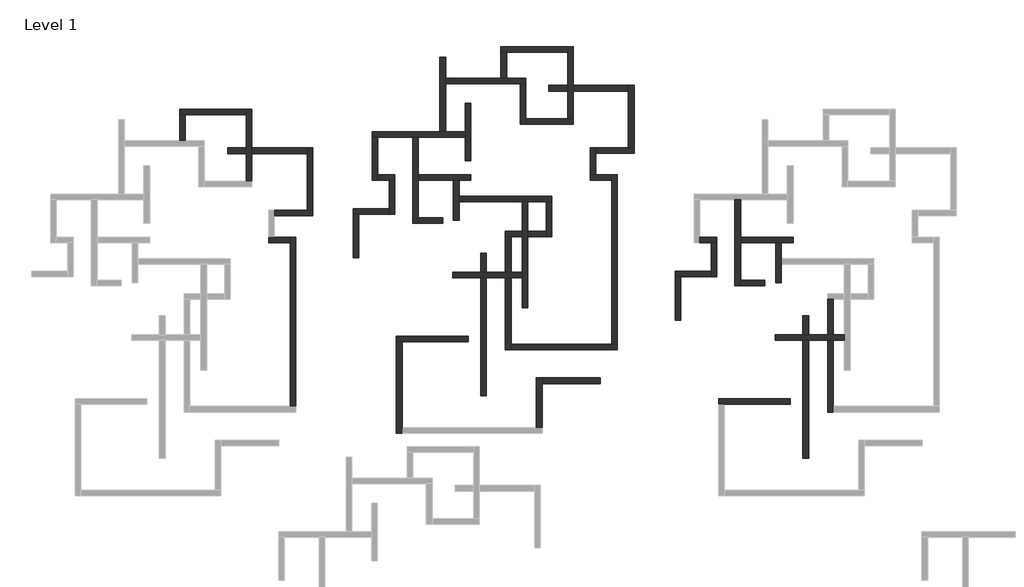
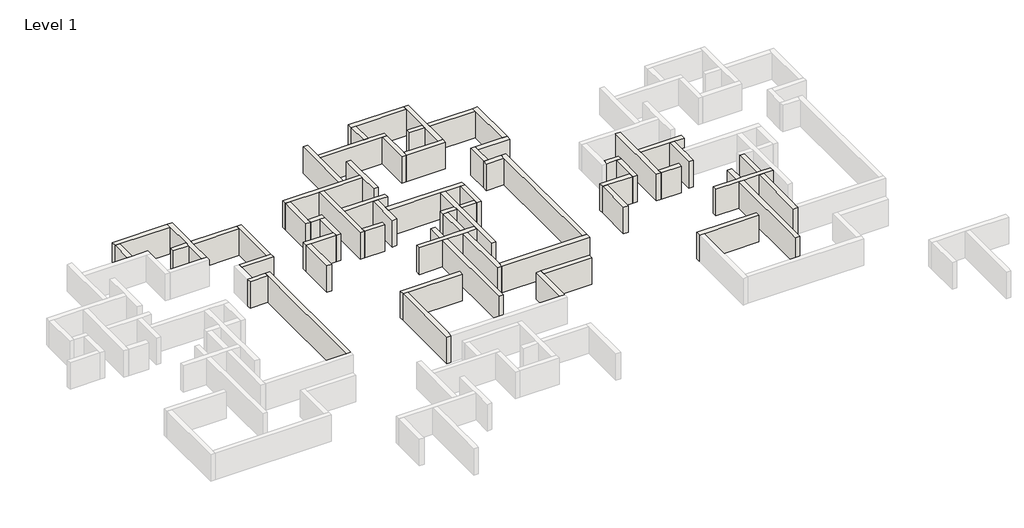
# One storey, part 6 of 7: 56 walls.
"""IFC4 building model written with IfcOpenShell, lengths in millimetres."""

from ifc_helpers import new_model, si_unit, origin, origin_with_axes, place, context, project, spatial, polyline, outline, extrude, faceted_brep, element, save

model = new_model("IFC4")

# Units and contexts
model_context = context("Model", 3, world=origin())
ifc_project = project(units=[si_unit("LENGTHUNIT", "METRE", prefix="MILLI")], contexts=[model_context])

# Site, building, storey
site = spatial("IfcSite", under=ifc_project)
building = spatial("IfcBuilding", under=site)
storey = spatial("IfcBuildingStorey", under=building, Name="Level 1", Elevation=0.0)

# Walls
placement = place(None, origin())
element("IfcWall", 1, ObjectType="Generic - 200mm", at=placement, inside=storey, context=model_context, shape_type="Brep", body=[
    faceted_brep([(-1834.8033404, 19787.4534844, 0.0), (-1834.8033404, 22237.4534844, 0.0), (-1834.8033404, 22737.4534844, 0.0), (-1834.8033404, 26187.4534844, 0.0), (-1834.8033404, 26187.4534844, 3000.0), (-1834.8033404, 22737.4534844, 3000.0), (-1834.8033404, 22237.4534844, 3000.0), (-1834.8033404, 19787.4534844, 3000.0), (-2334.8033404, 19787.4534844, 0.0), (-2334.8033404, 19787.4534844, 3000.0), (-2334.8033404, 22237.4534844, 3000.0), (-2334.8033404, 22737.4534844, 3000.0), (-2334.8033404, 25687.4534844, 3000.0), (-2334.8033404, 26187.4534844, 3000.0), (-2334.8033404, 26187.4534844, 0.0), (-2334.8033404, 25687.4534844, 0.0), (-2334.8033404, 22737.4534844, 0.0), (-2334.8033404, 22237.4534844, 0.0)], [[[0, 1, 2, 3, 4, 5, 6, 7]], [[8, 9, 10, 11, 12, 13, 14, 15, 16, 17]], [[3, 2, 1, 0, 8, 17, 16, 15, 14]], [[7, 6, 5, 4, 13, 12, 11, 10, 9]], [[0, 7, 9, 8]], [[4, 3, 14, 13]]]),
])
element("IfcWall", 2, ObjectType="Generic - 200mm", at=placement, inside=storey, context=model_context, shape_type="Brep", body=[
    faceted_brep([(-2334.8033404, 26187.4534844, 0.0), (-8234.8033404, 26187.4534844, 0.0), (-8234.8033404, 26187.4534844, 3000.0), (-2334.8033404, 26187.4534844, 3000.0), (-2334.8033404, 25687.4534844, 0.0), (-2334.8033404, 25687.4534844, 3000.0), (-7734.8033404, 25687.4534844, 3000.0), (-8234.8033404, 25687.4534844, 3000.0), (-8234.8033404, 25687.4534844, 0.0), (-7734.8033404, 25687.4534844, 0.0)], [[[0, 1, 2, 3]], [[4, 5, 6, 7, 8, 9]], [[1, 0, 4, 9, 8]], [[3, 2, 7, 6, 5]], [[0, 3, 5, 4]], [[2, 1, 8, 7]]]),
])
element("IfcWall", 3, ObjectType="Generic - 200mm", at=placement, inside=storey, context=model_context, shape_type="SweptSolid", body=[
    extrude(outline(polyline([(-8234.8033404, 23387.4534844), (-8234.8033404, 25687.4534844), (-7734.8033404, 25687.4534844), (-7734.8033404, 23387.4534844), (-8234.8033404, 23387.4534844)])), origin_with_axes(), (0.0, 0.0, 1.0), 3000.0),
])
element("IfcWall", 4, ObjectType="Generic - 200mm", at=placement, inside=storey, context=model_context, shape_type="Brep", body=[
    faceted_brep([(2065.1966596, -162.5465156, 0.0), (2065.1966596, 14837.4534844, 0.0), (2065.1966596, 14837.4534844, 3000.0), (2065.1966596, -162.5465156, 3000.0), (1565.1966596, -162.5465156, 0.0), (1565.1966596, -162.5465156, 3000.0), (1565.1966596, 14337.4534844, 3000.0), (1565.1966596, 14837.4534844, 3000.0), (1565.1966596, 14837.4534844, 0.0), (1565.1966596, 14337.4534844, 0.0)], [[[0, 1, 2, 3]], [[4, 5, 6, 7, 8, 9]], [[1, 0, 4, 9, 8]], [[3, 2, 7, 6, 5]], [[0, 3, 5, 4]], [[2, 1, 8, 7]]]),
])
element("IfcWall", 5, ObjectType="Generic - 200mm", at=placement, inside=storey, context=model_context, shape_type="Brep", body=[
    faceted_brep([(1565.1966596, 14837.4534844, 0.0), (165.1966596, 14837.4534844, 0.0), (-334.8033404, 14837.4534844, 0.0), (-334.8033404, 14837.4534844, 3000.0), (165.1966596, 14837.4534844, 3000.0), (1565.1966596, 14837.4534844, 3000.0), (1565.1966596, 14337.4534844, 0.0), (1565.1966596, 14337.4534844, 3000.0), (-334.8033404, 14337.4534844, 3000.0), (-334.8033404, 14337.4534844, 0.0)], [[[0, 1, 2, 3, 4, 5]], [[6, 7, 8, 9]], [[2, 1, 0, 6, 9]], [[5, 4, 3, 8, 7]], [[0, 5, 7, 6]], [[3, 2, 9, 8]]]),
])
element("IfcWall", 6, ObjectType="Generic - 200mm", at=placement, inside=storey, context=model_context, shape_type="Brep", body=[
    faceted_brep([(165.1966596, 16737.4534844, 0.0), (3565.1966596, 16737.4534844, 0.0), (3565.1966596, 16737.4534844, 3000.0), (165.1966596, 16737.4534844, 3000.0), (165.1966596, 17237.4534844, 0.0), (165.1966596, 17237.4534844, 3000.0), (3065.1966596, 17237.4534844, 3000.0), (3565.1966596, 17237.4534844, 3000.0), (3565.1966596, 17237.4534844, 0.0), (3065.1966596, 17237.4534844, 0.0)], [[[0, 1, 2, 3]], [[4, 5, 6, 7, 8, 9]], [[1, 0, 4, 9, 8]], [[3, 2, 7, 6, 5]], [[0, 3, 5, 4]], [[2, 1, 8, 7]]]),
])
element("IfcWall", 7, ObjectType="Generic - 200mm", at=placement, inside=storey, context=model_context, shape_type="Brep", body=[
    faceted_brep([(3565.1966596, 17237.4534844, 0.0), (3565.1966596, 22737.4534844, 0.0), (3565.1966596, 22737.4534844, 3000.0), (3565.1966596, 17237.4534844, 3000.0), (3065.1966596, 17237.4534844, 0.0), (3065.1966596, 17237.4534844, 3000.0), (3065.1966596, 22237.4534844, 3000.0), (3065.1966596, 22737.4534844, 3000.0), (3065.1966596, 22737.4534844, 0.0), (3065.1966596, 22237.4534844, 0.0)], [[[0, 1, 2, 3]], [[4, 5, 6, 7, 8, 9]], [[1, 0, 4, 9, 8]], [[3, 2, 7, 6, 5]], [[0, 3, 5, 4]], [[2, 1, 8, 7]]]),
])
element("IfcWall", 8, ObjectType="Generic - 200mm", at=placement, inside=storey, context=model_context, shape_type="SweptSolid", body=[
    extrude(outline(polyline([(-3984.8033404, 22237.4534844), (-3984.8033404, 22737.4534844), (-2334.8033404, 22737.4534844), (-2334.8033404, 22237.4534844), (-3984.8033404, 22237.4534844)])), origin_with_axes(), (0.0, 0.0, 1.0), 3000.0),
    extrude(outline(polyline([(3065.1966596, 22737.4534844), (3065.1966596, 22237.4534844), (-1834.8033404, 22237.4534844), (-1834.8033404, 22737.4534844), (3065.1966596, 22737.4534844)])), origin_with_axes(), (0.0, 0.0, 1.0), 3000.0),
])
element("IfcWall", 9, ObjectType="Generic - 200mm", at=placement, inside=storey, context=model_context, shape_type="Brep", body=[
    faceted_brep([(8832.3849796, 23670.9143503, 0.0), (9332.3849796, 23670.9143503, 0.0), (12432.3849796, 23670.9143503, 0.0), (12932.3849796, 23670.9143503, 0.0), (17082.3849796, 23670.9143503, 0.0), (17082.3849796, 23670.9143503, 3000.0), (12932.3849796, 23670.9143503, 3000.0), (12432.3849796, 23670.9143503, 3000.0), (9332.3849796, 23670.9143503, 3000.0), (8832.3849796, 23670.9143503, 3000.0), (8832.3849796, 24170.9143503, 0.0), (8832.3849796, 24170.9143503, 3000.0), (14832.3849796, 24170.9143503, 3000.0), (15332.3849796, 24170.9143503, 3000.0), (17082.3849796, 24170.9143503, 3000.0), (17082.3849796, 24170.9143503, 0.0), (15332.3849796, 24170.9143503, 0.0), (14832.3849796, 24170.9143503, 0.0)], [[[0, 1, 2, 3, 4, 5, 6, 7, 8, 9]], [[10, 11, 12, 13, 14, 15, 16, 17]], [[4, 3, 2, 1, 0, 10, 17, 16, 15]], [[9, 8, 7, 6, 5, 14, 13, 12, 11]], [[0, 9, 11, 10]], [[5, 4, 15, 14]]]),
])
element("IfcWall", 10, ObjectType="Generic - 200mm", at=placement, inside=storey, context=model_context, shape_type="Brep", body=[
    faceted_brep([(12432.3849796, 23670.9143503, 0.0), (12432.3849796, 16070.9143503, 0.0), (12432.3849796, 16070.9143503, 3000.0), (12432.3849796, 23670.9143503, 3000.0), (12932.3849796, 23670.9143503, 0.0), (12932.3849796, 23670.9143503, 3000.0), (12932.3849796, 20370.9143503, 3000.0), (12932.3849796, 19870.9143503, 3000.0), (12932.3849796, 16570.9143503, 3000.0), (12932.3849796, 16070.9143503, 3000.0), (12932.3849796, 16070.9143503, 0.0), (12932.3849796, 16570.9143503, 0.0), (12932.3849796, 19870.9143503, 0.0), (12932.3849796, 20370.9143503, 0.0)], [[[0, 1, 2, 3]], [[4, 5, 6, 7, 8, 9, 10, 11, 12, 13]], [[1, 0, 4, 13, 12, 11, 10]], [[3, 2, 9, 8, 7, 6, 5]], [[0, 3, 5, 4]], [[2, 1, 10, 9]]]),
])
element("IfcWall", 11, ObjectType="Generic - 200mm", at=placement, inside=storey, context=model_context, shape_type="Brep", body=[
    faceted_brep([(12932.3849796, 19870.9143503, 0.0), (16032.3849796, 19870.9143503, 0.0), (16532.3849796, 19870.9143503, 0.0), (17582.3849796, 19870.9143503, 0.0), (17582.3849796, 19870.9143503, 3000.0), (16532.3849796, 19870.9143503, 3000.0), (16032.3849796, 19870.9143503, 3000.0), (12932.3849796, 19870.9143503, 3000.0), (12932.3849796, 20370.9143503, 0.0), (12932.3849796, 20370.9143503, 3000.0), (17582.3849796, 20370.9143503, 3000.0), (17582.3849796, 20370.9143503, 0.0)], [[[0, 1, 2, 3, 4, 5, 6, 7]], [[8, 9, 10, 11]], [[3, 2, 1, 0, 8, 11]], [[4, 3, 11, 10]], [[7, 6, 5, 4, 10, 9]], [[0, 7, 9, 8]]]),
])
element("IfcWall", 12, ObjectType="Generic - 200mm", at=placement, inside=storey, context=model_context, shape_type="Brep", body=[
    faceted_brep([(16032.3849796, 19870.9143503, 0.0), (16032.3849796, 16320.9143503, 0.0), (16032.3849796, 16320.9143503, 3000.0), (16032.3849796, 19870.9143503, 3000.0), (16532.3849796, 19870.9143503, 0.0), (16532.3849796, 19870.9143503, 3000.0), (16532.3849796, 18470.9143503, 3000.0), (16532.3849796, 17970.9143503, 3000.0), (16532.3849796, 16320.9143503, 3000.0), (16532.3849796, 16320.9143503, 0.0), (16532.3849796, 17970.9143503, 0.0), (16532.3849796, 18470.9143503, 0.0)], [[[0, 1, 2, 3]], [[4, 5, 6, 7, 8, 9, 10, 11]], [[1, 0, 4, 11, 10, 9]], [[2, 1, 9, 8]], [[3, 2, 8, 7, 6, 5]], [[0, 3, 5, 4]]]),
])
element("IfcWall", 13, ObjectType="Generic - 200mm", at=placement, inside=storey, context=model_context, shape_type="Brep", body=[
    faceted_brep([(8832.3849796, 23670.9143503, 0.0), (8832.3849796, 19870.9143503, 0.0), (8832.3849796, 19870.9143503, 3000.0), (8832.3849796, 23670.9143503, 3000.0), (9332.3849796, 23670.9143503, 0.0), (9332.3849796, 23670.9143503, 3000.0), (9332.3849796, 20370.9143503, 3000.0), (9332.3849796, 19870.9143503, 3000.0), (9332.3849796, 19870.9143503, 0.0), (9332.3849796, 20370.9143503, 0.0)], [[[0, 1, 2, 3]], [[4, 5, 6, 7, 8, 9]], [[1, 0, 4, 9, 8]], [[3, 2, 7, 6, 5]], [[0, 3, 5, 4]], [[2, 1, 8, 7]]]),
])
element("IfcWall", 14, ObjectType="Generic - 200mm", at=placement, inside=storey, context=model_context, shape_type="Brep", body=[
    faceted_brep([(9332.3849796, 19870.9143503, 0.0), (10332.3849796, 19870.9143503, 0.0), (10832.3849796, 19870.9143503, 0.0), (10832.3849796, 19870.9143503, 3000.0), (10332.3849796, 19870.9143503, 3000.0), (9332.3849796, 19870.9143503, 3000.0), (9332.3849796, 20370.9143503, 0.0), (9332.3849796, 20370.9143503, 3000.0), (10832.3849796, 20370.9143503, 3000.0), (10832.3849796, 20370.9143503, 0.0)], [[[0, 1, 2, 3, 4, 5]], [[6, 7, 8, 9]], [[2, 1, 0, 6, 9]], [[5, 4, 3, 8, 7]], [[0, 5, 7, 6]], [[3, 2, 9, 8]]]),
])
element("IfcWall", 15, ObjectType="Generic - 200mm", at=placement, inside=storey, context=model_context, shape_type="Brep", body=[
    faceted_brep([(10332.3849796, 19870.9143503, 0.0), (10332.3849796, 17370.9143503, 0.0), (10332.3849796, 16870.9143503, 0.0), (10332.3849796, 16870.9143503, 3000.0), (10332.3849796, 17370.9143503, 3000.0), (10332.3849796, 19870.9143503, 3000.0), (10832.3849796, 19870.9143503, 0.0), (10832.3849796, 19870.9143503, 3000.0), (10832.3849796, 16870.9143503, 3000.0), (10832.3849796, 16870.9143503, 0.0)], [[[0, 1, 2, 3, 4, 5]], [[6, 7, 8, 9]], [[2, 1, 0, 6, 9]], [[5, 4, 3, 8, 7]], [[0, 5, 7, 6]], [[3, 2, 9, 8]]]),
])
element("IfcWall", 16, ObjectType="Generic - 200mm", at=placement, inside=storey, context=model_context, shape_type="Brep", body=[
    faceted_brep([(10332.3849796, 17370.9143503, 0.0), (7132.3849796, 17370.9143503, 0.0), (7132.3849796, 17370.9143503, 3000.0), (10332.3849796, 17370.9143503, 3000.0), (10332.3849796, 16870.9143503, 0.0), (10332.3849796, 16870.9143503, 3000.0), (7632.3849796, 16870.9143503, 3000.0), (7132.3849796, 16870.9143503, 3000.0), (7132.3849796, 16870.9143503, 0.0), (7632.3849796, 16870.9143503, 0.0)], [[[0, 1, 2, 3]], [[4, 5, 6, 7, 8, 9]], [[1, 0, 4, 9, 8]], [[3, 2, 7, 6, 5]], [[0, 3, 5, 4]], [[2, 1, 8, 7]]]),
])
element("IfcWall", 17, ObjectType="Generic - 200mm", at=placement, inside=storey, context=model_context, shape_type="SweptSolid", body=[
    extrude(outline(polyline([(7132.3849796, 13020.9143503), (7132.3849796, 16870.9143503), (7632.3849796, 16870.9143503), (7632.3849796, 13020.9143503), (7132.3849796, 13020.9143503)])), origin_with_axes(), (0.0, 0.0, 1.0), 3000.0),
])
element("IfcWall", 18, ObjectType="Generic - 200mm", at=placement, inside=storey, context=model_context, shape_type="SweptSolid", body=[
    extrude(outline(polyline([(15082.3849796, 16070.9143503), (12932.3849796, 16070.9143503), (12932.3849796, 16570.9143503), (15082.3849796, 16570.9143503), (15082.3849796, 16070.9143503)])), origin_with_axes(), (0.0, 0.0, 1.0), 3000.0),
])
element("IfcWall", 19, ObjectType="Generic - 200mm", at=placement, inside=storey, context=model_context, shape_type="Brep", body=[
    faceted_brep([(16532.3849796, 17970.9143503, 0.0), (22132.3849796, 17970.9143503, 0.0), (22632.3849796, 17970.9143503, 0.0), (24232.3849796, 17970.9143503, 0.0), (24732.3849796, 17970.9143503, 0.0), (24732.3849796, 17970.9143503, 3000.0), (24232.3849796, 17970.9143503, 3000.0), (22632.3849796, 17970.9143503, 3000.0), (22132.3849796, 17970.9143503, 3000.0), (16532.3849796, 17970.9143503, 3000.0), (16532.3849796, 18470.9143503, 0.0), (16532.3849796, 18470.9143503, 3000.0), (24732.3849796, 18470.9143503, 3000.0), (24732.3849796, 18470.9143503, 0.0)], [[[0, 1, 2, 3, 4, 5, 6, 7, 8, 9]], [[10, 11, 12, 13]], [[4, 3, 2, 1, 0, 10, 13]], [[9, 8, 7, 6, 5, 12, 11]], [[0, 9, 11, 10]], [[5, 4, 13, 12]]]),
])
element("IfcWall", 20, ObjectType="Generic - 200mm", at=placement, inside=storey, context=model_context, shape_type="Brep", body=[
    faceted_brep([(22132.3849796, 17970.9143503, 0.0), (22132.3849796, 15370.9143503, 0.0), (22132.3849796, 14870.9143503, 0.0), (22132.3849796, 11720.9143503, 0.0), (22132.3849796, 11220.9143503, 0.0), (22132.3849796, 8570.9143503, 0.0), (22132.3849796, 8570.9143503, 3000.0), (22132.3849796, 11220.9143503, 3000.0), (22132.3849796, 11720.9143503, 3000.0), (22132.3849796, 14870.9143503, 3000.0), (22132.3849796, 15370.9143503, 3000.0), (22132.3849796, 17970.9143503, 3000.0), (22632.3849796, 17970.9143503, 0.0), (22632.3849796, 17970.9143503, 3000.0), (22632.3849796, 15370.9143503, 3000.0), (22632.3849796, 14870.9143503, 3000.0), (22632.3849796, 8570.9143503, 3000.0), (22632.3849796, 8570.9143503, 0.0), (22632.3849796, 14870.9143503, 0.0), (22632.3849796, 15370.9143503, 0.0)], [[[0, 1, 2, 3, 4, 5, 6, 7, 8, 9, 10, 11]], [[12, 13, 14, 15, 16, 17, 18, 19]], [[5, 4, 3, 2, 1, 0, 12, 19, 18, 17]], [[6, 5, 17, 16]], [[11, 10, 9, 8, 7, 6, 16, 15, 14, 13]], [[0, 11, 13, 12]]]),
])
element("IfcWall", 21, ObjectType="Generic - 200mm", at=placement, inside=storey, context=model_context, shape_type="Brep", body=[
    faceted_brep([(22132.3849796, 11720.9143503, 0.0), (21132.3849796, 11720.9143503, 0.0), (20632.3849796, 11720.9143503, 0.0), (18951.9708687, 11720.9143503, 0.0), (18451.9708687, 11720.9143503, 0.0), (15982.3849796, 11720.9143503, 0.0), (15982.3849796, 11720.9143503, 3000.0), (18451.9708687, 11720.9143503, 3000.0), (18951.9708687, 11720.9143503, 3000.0), (20632.3849796, 11720.9143503, 3000.0), (21132.3849796, 11720.9143503, 3000.0), (22132.3849796, 11720.9143503, 3000.0), (22132.3849796, 11220.9143503, 0.0), (22132.3849796, 11220.9143503, 3000.0), (21132.3849796, 11220.9143503, 3000.0), (20632.3849796, 11220.9143503, 3000.0), (18951.9708687, 11220.9143503, 3000.0), (18451.9708687, 11220.9143503, 3000.0), (15982.3849796, 11220.9143503, 3000.0), (15982.3849796, 11220.9143503, 0.0), (18451.9708687, 11220.9143503, 0.0), (18951.9708687, 11220.9143503, 0.0), (20632.3849796, 11220.9143503, 0.0), (21132.3849796, 11220.9143503, 0.0)], [[[0, 1, 2, 3, 4, 5, 6, 7, 8, 9, 10, 11]], [[12, 13, 14, 15, 16, 17, 18, 19, 20, 21, 22, 23]], [[5, 4, 3, 2, 1, 0, 12, 23, 22, 21, 20, 19]], [[6, 5, 19, 18]], [[11, 10, 9, 8, 7, 6, 18, 17, 16, 15, 14, 13]], [[0, 11, 13, 12]]]),
])
element("IfcWall", 22, ObjectType="Generic - 200mm", at=placement, inside=storey, context=model_context, shape_type="Brep", body=[
    faceted_brep([(15332.3849796, 24170.9143503, 0.0), (15332.3849796, 28420.9143503, 0.0), (15332.3849796, 28920.9143503, 0.0), (15332.3849796, 30770.9143503, 0.0), (15332.3849796, 30770.9143503, 3000.0), (15332.3849796, 28920.9143503, 3000.0), (15332.3849796, 28420.9143503, 3000.0), (15332.3849796, 24170.9143503, 3000.0), (14832.3849796, 24170.9143503, 0.0), (14832.3849796, 24170.9143503, 3000.0), (14832.3849796, 30770.9143503, 3000.0), (14832.3849796, 30770.9143503, 0.0)], [[[0, 1, 2, 3, 4, 5, 6, 7]], [[8, 9, 10, 11]], [[3, 2, 1, 0, 8, 11]], [[4, 3, 11, 10]], [[7, 6, 5, 4, 10, 9]], [[0, 7, 9, 8]]]),
])
element("IfcWall", 23, ObjectType="Generic - 200mm", at=placement, inside=storey, context=model_context, shape_type="Brep", body=[
    faceted_brep([(15332.3849796, 28420.9143503, 0.0), (21932.3849796, 28420.9143503, 0.0), (22432.3849796, 28420.9143503, 0.0), (22432.3849796, 28420.9143503, 3000.0), (21932.3849796, 28420.9143503, 3000.0), (15332.3849796, 28420.9143503, 3000.0), (15332.3849796, 28920.9143503, 0.0), (15332.3849796, 28920.9143503, 3000.0), (20232.3849796, 28920.9143503, 3000.0), (20732.3849796, 28920.9143503, 3000.0), (22432.3849796, 28920.9143503, 3000.0), (22432.3849796, 28920.9143503, 0.0), (20732.3849796, 28920.9143503, 0.0), (20232.3849796, 28920.9143503, 0.0)], [[[0, 1, 2, 3, 4, 5]], [[6, 7, 8, 9, 10, 11, 12, 13]], [[2, 1, 0, 6, 13, 12, 11]], [[5, 4, 3, 10, 9, 8, 7]], [[0, 5, 7, 6]], [[3, 2, 11, 10]]]),
])
element("IfcWall", 24, ObjectType="Generic - 200mm", at=placement, inside=storey, context=model_context, shape_type="Brep", body=[
    faceted_brep([(17582.3849796, 21604.2117749, 0.0), (17582.3849796, 26704.2117749, 0.0), (17582.3849796, 26704.2117749, 3000.0), (17582.3849796, 21604.2117749, 3000.0), (17082.3849796, 21604.2117749, 0.0), (17082.3849796, 21604.2117749, 3000.0), (17082.3849796, 23670.9143503, 3000.0), (17082.3849796, 24170.9143503, 3000.0), (17082.3849796, 26704.2117749, 3000.0), (17082.3849796, 26704.2117749, 0.0), (17082.3849796, 24170.9143503, 0.0), (17082.3849796, 23670.9143503, 0.0)], [[[0, 1, 2, 3]], [[4, 5, 6, 7, 8, 9, 10, 11]], [[1, 0, 4, 11, 10, 9]], [[2, 1, 9, 8]], [[3, 2, 8, 7, 6, 5]], [[0, 3, 5, 4]]]),
])
element("IfcWall", 25, ObjectType="Generic - 200mm", at=placement, inside=storey, context=model_context, shape_type="SweptSolid", body=[
    extrude(outline(polyline([(18951.9708687, 798.0003058), (18451.9708687, 798.0003058), (18451.9708687, 11220.9143503), (18951.9708687, 11220.9143503), (18951.9708687, 798.0003058)])), origin_with_axes(), (0.0, 0.0, 1.0), 3000.0),
    extrude(outline(polyline([(18451.9708687, 13398.0003058), (18951.9708687, 13398.0003058), (18951.9708687, 11720.9143503), (18451.9708687, 11720.9143503), (18451.9708687, 13398.0003058)])), origin_with_axes(), (0.0, 0.0, 1.0), 3000.0),
])
element("IfcWall", 26, ObjectType="Generic - 200mm", at=placement, inside=storey, context=model_context, shape_type="Brep", body=[
    faceted_brep([(21932.3849796, 28420.9143503, 0.0), (21932.3849796, 24820.9143503, 0.0), (21932.3849796, 24820.9143503, 3000.0), (21932.3849796, 28420.9143503, 3000.0), (22432.3849796, 28420.9143503, 0.0), (22432.3849796, 28420.9143503, 3000.0), (22432.3849796, 25320.9143503, 3000.0), (22432.3849796, 24820.9143503, 3000.0), (22432.3849796, 24820.9143503, 0.0), (22432.3849796, 25320.9143503, 0.0)], [[[0, 1, 2, 3]], [[4, 5, 6, 7, 8, 9]], [[1, 0, 4, 9, 8]], [[3, 2, 7, 6, 5]], [[0, 3, 5, 4]], [[2, 1, 8, 7]]]),
])
element("IfcWall", 27, ObjectType="Generic - 200mm", at=placement, inside=storey, context=model_context, shape_type="Brep", body=[
    faceted_brep([(22432.3849796, 24820.9143503, 0.0), (26632.3849796, 24820.9143503, 0.0), (26632.3849796, 24820.9143503, 3000.0), (22432.3849796, 24820.9143503, 3000.0), (22432.3849796, 25320.9143503, 0.0), (22432.3849796, 25320.9143503, 3000.0), (26132.3849796, 25320.9143503, 3000.0), (26632.3849796, 25320.9143503, 3000.0), (26632.3849796, 25320.9143503, 0.0), (26132.3849796, 25320.9143503, 0.0)], [[[0, 1, 2, 3]], [[4, 5, 6, 7, 8, 9]], [[1, 0, 4, 9, 8]], [[3, 2, 7, 6, 5]], [[0, 3, 5, 4]], [[2, 1, 8, 7]]]),
])
element("IfcWall", 28, ObjectType="Generic - 200mm", at=placement, inside=storey, context=model_context, shape_type="Brep", body=[
    faceted_brep([(26632.3849796, 25320.9143503, 0.0), (26632.3849796, 27770.9143503, 0.0), (26632.3849796, 28270.9143503, 0.0), (26632.3849796, 31720.9143503, 0.0), (26632.3849796, 31720.9143503, 3000.0), (26632.3849796, 28270.9143503, 3000.0), (26632.3849796, 27770.9143503, 3000.0), (26632.3849796, 25320.9143503, 3000.0), (26132.3849796, 25320.9143503, 0.0), (26132.3849796, 25320.9143503, 3000.0), (26132.3849796, 27770.9143503, 3000.0), (26132.3849796, 28270.9143503, 3000.0), (26132.3849796, 31220.9143503, 3000.0), (26132.3849796, 31720.9143503, 3000.0), (26132.3849796, 31720.9143503, 0.0), (26132.3849796, 31220.9143503, 0.0), (26132.3849796, 28270.9143503, 0.0), (26132.3849796, 27770.9143503, 0.0)], [[[0, 1, 2, 3, 4, 5, 6, 7]], [[8, 9, 10, 11, 12, 13, 14, 15, 16, 17]], [[3, 2, 1, 0, 8, 17, 16, 15, 14]], [[7, 6, 5, 4, 13, 12, 11, 10, 9]], [[0, 7, 9, 8]], [[4, 3, 14, 13]]]),
])
element("IfcWall", 29, ObjectType="Generic - 200mm", at=placement, inside=storey, context=model_context, shape_type="Brep", body=[
    faceted_brep([(26132.3849796, 31720.9143503, 0.0), (20232.3849796, 31720.9143503, 0.0), (20232.3849796, 31720.9143503, 3000.0), (26132.3849796, 31720.9143503, 3000.0), (26132.3849796, 31220.9143503, 0.0), (26132.3849796, 31220.9143503, 3000.0), (20732.3849796, 31220.9143503, 3000.0), (20232.3849796, 31220.9143503, 3000.0), (20232.3849796, 31220.9143503, 0.0), (20732.3849796, 31220.9143503, 0.0)], [[[0, 1, 2, 3]], [[4, 5, 6, 7, 8, 9]], [[1, 0, 4, 9, 8]], [[3, 2, 7, 6, 5]], [[0, 3, 5, 4]], [[2, 1, 8, 7]]]),
])
element("IfcWall", 30, ObjectType="Generic - 200mm", at=placement, inside=storey, context=model_context, shape_type="SweptSolid", body=[
    extrude(outline(polyline([(20232.3849796, 28920.9143503), (20232.3849796, 31220.9143503), (20732.3849796, 31220.9143503), (20732.3849796, 28920.9143503), (20232.3849796, 28920.9143503)])), origin_with_axes(), (0.0, 0.0, 1.0), 3000.0),
])
element("IfcWall", 31, ObjectType="Generic - 200mm", at=placement, inside=storey, context=model_context, shape_type="Brep", body=[
    faceted_brep([(24232.3849796, 17970.9143503, 0.0), (24232.3849796, 15370.9143503, 0.0), (24232.3849796, 14870.9143503, 0.0), (24232.3849796, 14870.9143503, 3000.0), (24232.3849796, 15370.9143503, 3000.0), (24232.3849796, 17970.9143503, 3000.0), (24732.3849796, 17970.9143503, 0.0), (24732.3849796, 17970.9143503, 3000.0), (24732.3849796, 14870.9143503, 3000.0), (24732.3849796, 14870.9143503, 0.0)], [[[0, 1, 2, 3, 4, 5]], [[6, 7, 8, 9]], [[2, 1, 0, 6, 9]], [[5, 4, 3, 8, 7]], [[0, 5, 7, 6]], [[3, 2, 9, 8]]]),
])
element("IfcWall", 32, ObjectType="Generic - 200mm", at=placement, inside=storey, context=model_context, shape_type="Brep", body=[
    faceted_brep([(24232.3849796, 15370.9143503, 3000.0), (24232.3849796, 15370.9143503, 0.0), (22632.3849796, 15370.9143503, 0.0), (22632.3849796, 15370.9143503, 3000.0), (24232.3849796, 14870.9143503, 0.0), (24232.3849796, 14870.9143503, 3000.0), (22632.3849796, 14870.9143503, 3000.0), (22632.3849796, 14870.9143503, 0.0)], [[[0, 1, 2, 3]], [[4, 5, 6, 7]], [[1, 4, 7, 2]], [[5, 0, 3, 6]], [[1, 0, 5, 4]], [[3, 2, 7, 6]]]),
    faceted_brep([(20632.3849796, 15370.9143503, 0.0), (20632.3849796, 15370.9143503, 3000.0), (22132.3849796, 15370.9143503, 3000.0), (22132.3849796, 15370.9143503, 0.0), (20632.3849796, 14870.9143503, 3000.0), (20632.3849796, 14870.9143503, 0.0), (21132.3849796, 14870.9143503, 0.0), (22132.3849796, 14870.9143503, 0.0), (22132.3849796, 14870.9143503, 3000.0), (21132.3849796, 14870.9143503, 3000.0)], [[[0, 1, 2, 3]], [[4, 5, 6, 7, 8, 9]], [[5, 0, 3, 7, 6]], [[1, 4, 9, 8, 2]], [[3, 2, 8, 7]], [[1, 0, 5, 4]]]),
])
element("IfcWall", 33, ObjectType="Generic - 200mm", at=placement, inside=storey, context=model_context, shape_type="Brep", body=[
    faceted_brep([(20632.3849796, 14870.9143503, 3000.0), (20632.3849796, 14870.9143503, 0.0), (20632.3849796, 11720.9143503, 0.0), (20632.3849796, 11720.9143503, 3000.0), (21132.3849796, 14870.9143503, 0.0), (21132.3849796, 14870.9143503, 3000.0), (21132.3849796, 11720.9143503, 3000.0), (21132.3849796, 11720.9143503, 0.0)], [[[0, 1, 2, 3]], [[4, 5, 6, 7]], [[1, 4, 7, 2]], [[5, 0, 3, 6]], [[1, 0, 5, 4]], [[3, 2, 7, 6]]]),
    faceted_brep([(20632.3849796, 4870.9143503, 0.0), (20632.3849796, 4870.9143503, 3000.0), (20632.3849796, 11220.9143503, 3000.0), (20632.3849796, 11220.9143503, 0.0), (21132.3849796, 4870.9143503, 3000.0), (21132.3849796, 4870.9143503, 0.0), (21132.3849796, 5370.9143503, 0.0), (21132.3849796, 11220.9143503, 0.0), (21132.3849796, 11220.9143503, 3000.0), (21132.3849796, 5370.9143503, 3000.0)], [[[0, 1, 2, 3]], [[4, 5, 6, 7, 8, 9]], [[5, 0, 3, 7, 6]], [[1, 4, 9, 8, 2]], [[3, 2, 8, 7]], [[1, 0, 5, 4]]]),
])
element("IfcWall", 34, ObjectType="Generic - 200mm", at=placement, inside=storey, context=model_context, shape_type="Brep", body=[
    faceted_brep([(21132.3849796, 4870.9143503, 0.0), (30532.3849796, 4870.9143503, 0.0), (30532.3849796, 4870.9143503, 3000.0), (21132.3849796, 4870.9143503, 3000.0), (21132.3849796, 5370.9143503, 0.0), (21132.3849796, 5370.9143503, 3000.0), (30032.3849796, 5370.9143503, 3000.0), (30532.3849796, 5370.9143503, 3000.0), (30532.3849796, 5370.9143503, 0.0), (30032.3849796, 5370.9143503, 0.0)], [[[0, 1, 2, 3]], [[4, 5, 6, 7, 8, 9]], [[1, 0, 4, 9, 8]], [[3, 2, 7, 6, 5]], [[0, 3, 5, 4]], [[2, 1, 8, 7]]]),
])
element("IfcWall", 35, ObjectType="Generic - 200mm", at=placement, inside=storey, context=model_context, shape_type="Brep", body=[
    faceted_brep([(30532.3849796, 5370.9143503, 0.0), (30532.3849796, 20370.9143503, 0.0), (30532.3849796, 20370.9143503, 3000.0), (30532.3849796, 5370.9143503, 3000.0), (30032.3849796, 5370.9143503, 0.0), (30032.3849796, 5370.9143503, 3000.0), (30032.3849796, 19870.9143503, 3000.0), (30032.3849796, 20370.9143503, 3000.0), (30032.3849796, 20370.9143503, 0.0), (30032.3849796, 19870.9143503, 0.0)], [[[0, 1, 2, 3]], [[4, 5, 6, 7, 8, 9]], [[1, 0, 4, 9, 8]], [[3, 2, 7, 6, 5]], [[0, 3, 5, 4]], [[2, 1, 8, 7]]]),
])
element("IfcWall", 36, ObjectType="Generic - 200mm", at=placement, inside=storey, context=model_context, shape_type="Brep", body=[
    faceted_brep([(30032.3849796, 20370.9143503, 0.0), (28632.3849796, 20370.9143503, 0.0), (28132.3849796, 20370.9143503, 0.0), (28132.3849796, 20370.9143503, 3000.0), (28632.3849796, 20370.9143503, 3000.0), (30032.3849796, 20370.9143503, 3000.0), (30032.3849796, 19870.9143503, 0.0), (30032.3849796, 19870.9143503, 3000.0), (28132.3849796, 19870.9143503, 3000.0), (28132.3849796, 19870.9143503, 0.0)], [[[0, 1, 2, 3, 4, 5]], [[6, 7, 8, 9]], [[2, 1, 0, 6, 9]], [[5, 4, 3, 8, 7]], [[0, 5, 7, 6]], [[3, 2, 9, 8]]]),
])
element("IfcWall", 37, ObjectType="Generic - 200mm", at=placement, inside=storey, context=model_context, shape_type="Brep", body=[
    faceted_brep([(28632.3849796, 20370.9143503, 0.0), (28632.3849796, 22270.9143503, 0.0), (28632.3849796, 22770.9143503, 0.0), (28632.3849796, 22770.9143503, 3000.0), (28632.3849796, 22270.9143503, 3000.0), (28632.3849796, 20370.9143503, 3000.0), (28132.3849796, 20370.9143503, 0.0), (28132.3849796, 20370.9143503, 3000.0), (28132.3849796, 22770.9143503, 3000.0), (28132.3849796, 22770.9143503, 0.0)], [[[0, 1, 2, 3, 4, 5]], [[6, 7, 8, 9]], [[2, 1, 0, 6, 9]], [[5, 4, 3, 8, 7]], [[0, 5, 7, 6]], [[3, 2, 9, 8]]]),
])
element("IfcWall", 38, ObjectType="Generic - 200mm", at=placement, inside=storey, context=model_context, shape_type="Brep", body=[
    faceted_brep([(28632.3849796, 22270.9143503, 0.0), (32032.3849796, 22270.9143503, 0.0), (32032.3849796, 22270.9143503, 3000.0), (28632.3849796, 22270.9143503, 3000.0), (28632.3849796, 22770.9143503, 0.0), (28632.3849796, 22770.9143503, 3000.0), (31532.3849796, 22770.9143503, 3000.0), (32032.3849796, 22770.9143503, 3000.0), (32032.3849796, 22770.9143503, 0.0), (31532.3849796, 22770.9143503, 0.0)], [[[0, 1, 2, 3]], [[4, 5, 6, 7, 8, 9]], [[1, 0, 4, 9, 8]], [[3, 2, 7, 6, 5]], [[0, 3, 5, 4]], [[2, 1, 8, 7]]]),
])
element("IfcWall", 39, ObjectType="Generic - 200mm", at=placement, inside=storey, context=model_context, shape_type="Brep", body=[
    faceted_brep([(32032.3849796, 22770.9143503, 0.0), (32032.3849796, 28270.9143503, 0.0), (32032.3849796, 28270.9143503, 3000.0), (32032.3849796, 22770.9143503, 3000.0), (31532.3849796, 22770.9143503, 0.0), (31532.3849796, 22770.9143503, 3000.0), (31532.3849796, 27770.9143503, 3000.0), (31532.3849796, 28270.9143503, 3000.0), (31532.3849796, 28270.9143503, 0.0), (31532.3849796, 27770.9143503, 0.0)], [[[0, 1, 2, 3]], [[4, 5, 6, 7, 8, 9]], [[1, 0, 4, 9, 8]], [[3, 2, 7, 6, 5]], [[0, 3, 5, 4]], [[2, 1, 8, 7]]]),
])
element("IfcWall", 40, ObjectType="Generic - 200mm", at=placement, inside=storey, context=model_context, shape_type="SweptSolid", body=[
    extrude(outline(polyline([(24482.3849796, 27770.9143503), (24482.3849796, 28270.9143503), (26132.3849796, 28270.9143503), (26132.3849796, 27770.9143503), (24482.3849796, 27770.9143503)])), origin_with_axes(), (0.0, 0.0, 1.0), 3000.0),
    extrude(outline(polyline([(31532.3849796, 28270.9143503), (31532.3849796, 27770.9143503), (26632.3849796, 27770.9143503), (26632.3849796, 28270.9143503), (31532.3849796, 28270.9143503)])), origin_with_axes(), (0.0, 0.0, 1.0), 3000.0),
])
element("IfcWall", 41, ObjectType="Generic - 200mm", at=placement, inside=storey, context=model_context, shape_type="Brep", body=[
    faceted_brep([(17332.3849796, 6070.9143503, 0.0), (10982.3849796, 6070.9143503, 0.0), (10982.3849796, 6070.9143503, 3000.0), (17332.3849796, 6070.9143503, 3000.0), (17332.3849796, 5570.9143503, 0.0), (17332.3849796, 5570.9143503, 3000.0), (11482.3849796, 5570.9143503, 3000.0), (10982.3849796, 5570.9143503, 3000.0), (10982.3849796, 5570.9143503, 0.0), (11482.3849796, 5570.9143503, 0.0)], [[[0, 1, 2, 3]], [[4, 5, 6, 7, 8, 9]], [[1, 0, 4, 9, 8]], [[3, 2, 7, 6, 5]], [[0, 3, 5, 4]], [[2, 1, 8, 7]]]),
])
element("IfcWall", 42, ObjectType="Generic - 200mm", at=placement, inside=storey, context=model_context, shape_type="Brep", body=[
    faceted_brep([(10982.3849796, 5570.9143503, 0.0), (10982.3849796, -2529.0856497, 0.0), (10982.3849796, -2529.0856497, 3000.0), (10982.3849796, 5570.9143503, 3000.0), (11482.3849796, 5570.9143503, 0.0), (11482.3849796, 5570.9143503, 3000.0), (11482.3849796, -2029.0856497, 3000.0), (11482.3849796, -2529.0856497, 3000.0), (11482.3849796, -2529.0856497, 0.0), (11482.3849796, -2029.0856497, 0.0)], [[[0, 1, 2, 3]], [[4, 5, 6, 7, 8, 9]], [[1, 0, 4, 9, 8]], [[3, 2, 7, 6, 5]], [[0, 3, 5, 4]], [[2, 1, 8, 7]]]),
])
element("IfcWall", 43, ObjectType="Generic - 200mm", at=placement, inside=storey, context=model_context, shape_type="Brep", body=[
    faceted_brep([(23882.3849796, -2029.0856497, 0.0), (23882.3849796, 1870.9143503, 0.0), (23882.3849796, 2370.9143503, 0.0), (23882.3849796, 2370.9143503, 3000.0), (23882.3849796, 1870.9143503, 3000.0), (23882.3849796, -2029.0856497, 3000.0), (23382.3849796, -2029.0856497, 0.0), (23382.3849796, -2029.0856497, 3000.0), (23382.3849796, 2370.9143503, 3000.0), (23382.3849796, 2370.9143503, 0.0)], [[[0, 1, 2, 3, 4, 5]], [[6, 7, 8, 9]], [[2, 1, 0, 6, 9]], [[5, 4, 3, 8, 7]], [[0, 5, 7, 6]], [[3, 2, 9, 8]]]),
])
element("IfcWall", 44, ObjectType="Generic - 200mm", at=placement, inside=storey, context=model_context, shape_type="SweptSolid", body=[
    extrude(outline(polyline([(29032.3849796, 1870.9143503), (23882.3849796, 1870.9143503), (23882.3849796, 2370.9143503), (29032.3849796, 2370.9143503), (29032.3849796, 1870.9143503)])), origin_with_axes(), (0.0, 0.0, 1.0), 3000.0),
])
element("IfcWall", 45, ObjectType="Generic - 200mm", at=placement, inside=storey, context=model_context, shape_type="Brep", body=[
    faceted_brep([(40965.1966596, 18137.4534844, 0.0), (40965.1966596, 10537.4534844, 0.0), (40965.1966596, 10537.4534844, 3000.0), (40965.1966596, 18137.4534844, 3000.0), (41465.1966596, 18137.4534844, 0.0), (41465.1966596, 18137.4534844, 3000.0), (41465.1966596, 14837.4534844, 3000.0), (41465.1966596, 14337.4534844, 3000.0), (41465.1966596, 11037.4534844, 3000.0), (41465.1966596, 10537.4534844, 3000.0), (41465.1966596, 10537.4534844, 0.0), (41465.1966596, 11037.4534844, 0.0), (41465.1966596, 14337.4534844, 0.0), (41465.1966596, 14837.4534844, 0.0)], [[[0, 1, 2, 3]], [[4, 5, 6, 7, 8, 9, 10, 11, 12, 13]], [[1, 0, 4, 13, 12, 11, 10]], [[3, 2, 9, 8, 7, 6, 5]], [[0, 3, 5, 4]], [[2, 1, 10, 9]]]),
])
element("IfcWall", 46, ObjectType="Generic - 200mm", at=placement, inside=storey, context=model_context, shape_type="Brep", body=[
    faceted_brep([(41465.1966596, 14337.4534844, 0.0), (44565.1966596, 14337.4534844, 0.0), (45065.1966596, 14337.4534844, 0.0), (46115.1966596, 14337.4534844, 0.0), (46115.1966596, 14337.4534844, 3000.0), (45065.1966596, 14337.4534844, 3000.0), (44565.1966596, 14337.4534844, 3000.0), (41465.1966596, 14337.4534844, 3000.0), (41465.1966596, 14837.4534844, 0.0), (41465.1966596, 14837.4534844, 3000.0), (46115.1966596, 14837.4534844, 3000.0), (46115.1966596, 14837.4534844, 0.0)], [[[0, 1, 2, 3, 4, 5, 6, 7]], [[8, 9, 10, 11]], [[3, 2, 1, 0, 8, 11]], [[4, 3, 11, 10]], [[7, 6, 5, 4, 10, 9]], [[0, 7, 9, 8]]]),
])
element("IfcWall", 47, ObjectType="Generic - 200mm", at=placement, inside=storey, context=model_context, shape_type="Brep", body=[
    faceted_brep([(44565.1966596, 14337.4534844, 0.0), (44565.1966596, 10787.4534844, 0.0), (44565.1966596, 10787.4534844, 3000.0), (44565.1966596, 14337.4534844, 3000.0), (45065.1966596, 14337.4534844, 0.0), (45065.1966596, 14337.4534844, 3000.0), (45065.1966596, 12937.4534844, 3000.0), (45065.1966596, 12437.4534844, 3000.0), (45065.1966596, 10787.4534844, 3000.0), (45065.1966596, 10787.4534844, 0.0), (45065.1966596, 12437.4534844, 0.0), (45065.1966596, 12937.4534844, 0.0)], [[[0, 1, 2, 3]], [[4, 5, 6, 7, 8, 9, 10, 11]], [[1, 0, 4, 11, 10, 9]], [[2, 1, 9, 8]], [[3, 2, 8, 7, 6, 5]], [[0, 3, 5, 4]]]),
])
element("IfcWall", 48, ObjectType="Generic - 200mm", at=placement, inside=storey, context=model_context, shape_type="Brep", body=[
    faceted_brep([(37865.1966596, 14337.4534844, 0.0), (38865.1966596, 14337.4534844, 0.0), (39365.1966596, 14337.4534844, 0.0), (39365.1966596, 14337.4534844, 3000.0), (38865.1966596, 14337.4534844, 3000.0), (37865.1966596, 14337.4534844, 3000.0), (37865.1966596, 14837.4534844, 0.0), (37865.1966596, 14837.4534844, 3000.0), (39365.1966596, 14837.4534844, 3000.0), (39365.1966596, 14837.4534844, 0.0)], [[[0, 1, 2, 3, 4, 5]], [[6, 7, 8, 9]], [[2, 1, 0, 6, 9]], [[5, 4, 3, 8, 7]], [[0, 5, 7, 6]], [[3, 2, 9, 8]]]),
])
element("IfcWall", 49, ObjectType="Generic - 200mm", at=placement, inside=storey, context=model_context, shape_type="Brep", body=[
    faceted_brep([(38865.1966596, 14337.4534844, 0.0), (38865.1966596, 11837.4534844, 0.0), (38865.1966596, 11337.4534844, 0.0), (38865.1966596, 11337.4534844, 3000.0), (38865.1966596, 11837.4534844, 3000.0), (38865.1966596, 14337.4534844, 3000.0), (39365.1966596, 14337.4534844, 0.0), (39365.1966596, 14337.4534844, 3000.0), (39365.1966596, 11337.4534844, 3000.0), (39365.1966596, 11337.4534844, 0.0)], [[[0, 1, 2, 3, 4, 5]], [[6, 7, 8, 9]], [[2, 1, 0, 6, 9]], [[5, 4, 3, 8, 7]], [[0, 5, 7, 6]], [[3, 2, 9, 8]]]),
])
element("IfcWall", 50, ObjectType="Generic - 200mm", at=placement, inside=storey, context=model_context, shape_type="Brep", body=[
    faceted_brep([(38865.1966596, 11837.4534844, 0.0), (35665.1966596, 11837.4534844, 0.0), (35665.1966596, 11837.4534844, 3000.0), (38865.1966596, 11837.4534844, 3000.0), (38865.1966596, 11337.4534844, 0.0), (38865.1966596, 11337.4534844, 3000.0), (36165.1966596, 11337.4534844, 3000.0), (35665.1966596, 11337.4534844, 3000.0), (35665.1966596, 11337.4534844, 0.0), (36165.1966596, 11337.4534844, 0.0)], [[[0, 1, 2, 3]], [[4, 5, 6, 7, 8, 9]], [[1, 0, 4, 9, 8]], [[3, 2, 7, 6, 5]], [[0, 3, 5, 4]], [[2, 1, 8, 7]]]),
])
element("IfcWall", 51, ObjectType="Generic - 200mm", at=placement, inside=storey, context=model_context, shape_type="SweptSolid", body=[
    extrude(outline(polyline([(35665.1966596, 7487.4534844), (35665.1966596, 11337.4534844), (36165.1966596, 11337.4534844), (36165.1966596, 7487.4534844), (35665.1966596, 7487.4534844)])), origin_with_axes(), (0.0, 0.0, 1.0), 3000.0),
])
element("IfcWall", 52, ObjectType="Generic - 200mm", at=placement, inside=storey, context=model_context, shape_type="SweptSolid", body=[
    extrude(outline(polyline([(43615.1966596, 10537.4534844), (41465.1966596, 10537.4534844), (41465.1966596, 11037.4534844), (43615.1966596, 11037.4534844), (43615.1966596, 10537.4534844)])), origin_with_axes(), (0.0, 0.0, 1.0), 3000.0),
])
element("IfcWall", 53, ObjectType="Generic - 200mm", at=placement, inside=storey, context=model_context, shape_type="Brep", body=[
    faceted_brep([(50665.1966596, 6187.4534844, 0.0), (49665.1966596, 6187.4534844, 0.0), (49165.1966596, 6187.4534844, 0.0), (47484.7825487, 6187.4534844, 0.0), (46984.7825487, 6187.4534844, 0.0), (44515.1966596, 6187.4534844, 0.0), (44515.1966596, 6187.4534844, 3000.0), (46984.7825487, 6187.4534844, 3000.0), (47484.7825487, 6187.4534844, 3000.0), (49165.1966596, 6187.4534844, 3000.0), (49665.1966596, 6187.4534844, 3000.0), (50665.1966596, 6187.4534844, 3000.0), (50665.1966596, 5687.4534844, 0.0), (50665.1966596, 5687.4534844, 3000.0), (49665.1966596, 5687.4534844, 3000.0), (49165.1966596, 5687.4534844, 3000.0), (47484.7825487, 5687.4534844, 3000.0), (46984.7825487, 5687.4534844, 3000.0), (44515.1966596, 5687.4534844, 3000.0), (44515.1966596, 5687.4534844, 0.0), (46984.7825487, 5687.4534844, 0.0), (47484.7825487, 5687.4534844, 0.0), (49165.1966596, 5687.4534844, 0.0), (49665.1966596, 5687.4534844, 0.0)], [[[0, 1, 2, 3, 4, 5, 6, 7, 8, 9, 10, 11]], [[12, 13, 14, 15, 16, 17, 18, 19, 20, 21, 22, 23]], [[5, 4, 3, 2, 1, 0, 12, 23, 22, 21, 20, 19]], [[6, 5, 19, 18]], [[11, 10, 9, 8, 7, 6, 18, 17, 16, 15, 14, 13]], [[0, 11, 13, 12]]]),
])
element("IfcWall", 54, ObjectType="Generic - 200mm", at=placement, inside=storey, context=model_context, shape_type="SweptSolid", body=[
    extrude(outline(polyline([(47484.7825487, -4735.4605601), (46984.7825487, -4735.4605601), (46984.7825487, 5687.4534844), (47484.7825487, 5687.4534844), (47484.7825487, -4735.4605601)])), origin_with_axes(), (0.0, 0.0, 1.0), 3000.0),
    extrude(outline(polyline([(46984.7825487, 7864.5394399), (47484.7825487, 7864.5394399), (47484.7825487, 6187.4534844), (46984.7825487, 6187.4534844), (46984.7825487, 7864.5394399)])), origin_with_axes(), (0.0, 0.0, 1.0), 3000.0),
])
element("IfcWall", 55, ObjectType="Generic - 200mm", at=placement, inside=storey, context=model_context, shape_type="Brep", body=[
    faceted_brep([(49165.1966596, 9337.4534844, 3000.0), (49165.1966596, 9337.4534844, 0.0), (49165.1966596, 6187.4534844, 0.0), (49165.1966596, 6187.4534844, 3000.0), (49665.1966596, 9337.4534844, 0.0), (49665.1966596, 9337.4534844, 3000.0), (49665.1966596, 6187.4534844, 3000.0), (49665.1966596, 6187.4534844, 0.0)], [[[0, 1, 2, 3]], [[4, 5, 6, 7]], [[1, 4, 7, 2]], [[5, 0, 3, 6]], [[1, 0, 5, 4]], [[3, 2, 7, 6]]]),
    faceted_brep([(49165.1966596, -662.5465156, 0.0), (49165.1966596, -662.5465156, 3000.0), (49165.1966596, 5687.4534844, 3000.0), (49165.1966596, 5687.4534844, 0.0), (49665.1966596, -662.5465156, 3000.0), (49665.1966596, -662.5465156, 0.0), (49665.1966596, -162.5465156, 0.0), (49665.1966596, 5687.4534844, 0.0), (49665.1966596, 5687.4534844, 3000.0), (49665.1966596, -162.5465156, 3000.0)], [[[0, 1, 2, 3]], [[4, 5, 6, 7, 8, 9]], [[5, 0, 3, 7, 6]], [[1, 4, 9, 8, 2]], [[3, 2, 8, 7]], [[1, 0, 5, 4]]]),
])
element("IfcWall", 56, ObjectType="Generic - 200mm", at=placement, inside=storey, context=model_context, shape_type="Brep", body=[
    faceted_brep([(45865.1966596, 537.4534844, 0.0), (39515.1966596, 537.4534844, 0.0), (39515.1966596, 537.4534844, 3000.0), (45865.1966596, 537.4534844, 3000.0), (45865.1966596, 37.4534844, 0.0), (45865.1966596, 37.4534844, 3000.0), (40015.1966596, 37.4534844, 3000.0), (39515.1966596, 37.4534844, 3000.0), (39515.1966596, 37.4534844, 0.0), (40015.1966596, 37.4534844, 0.0)], [[[0, 1, 2, 3]], [[4, 5, 6, 7, 8, 9]], [[1, 0, 4, 9, 8]], [[3, 2, 7, 6, 5]], [[0, 3, 5, 4]], [[2, 1, 8, 7]]]),
])

save(model, "model.ifc")
